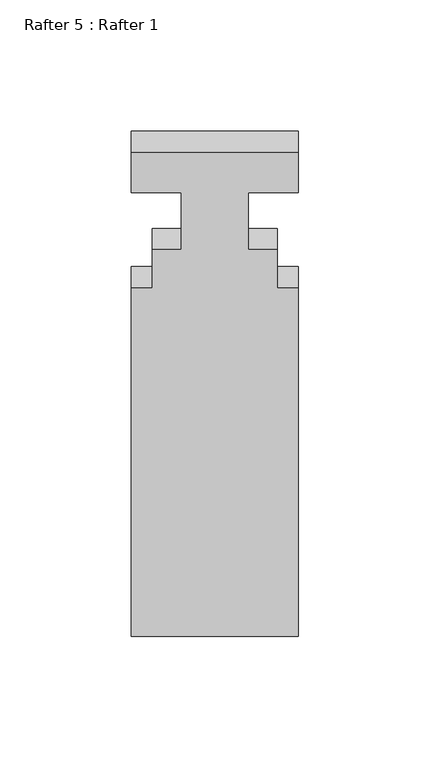
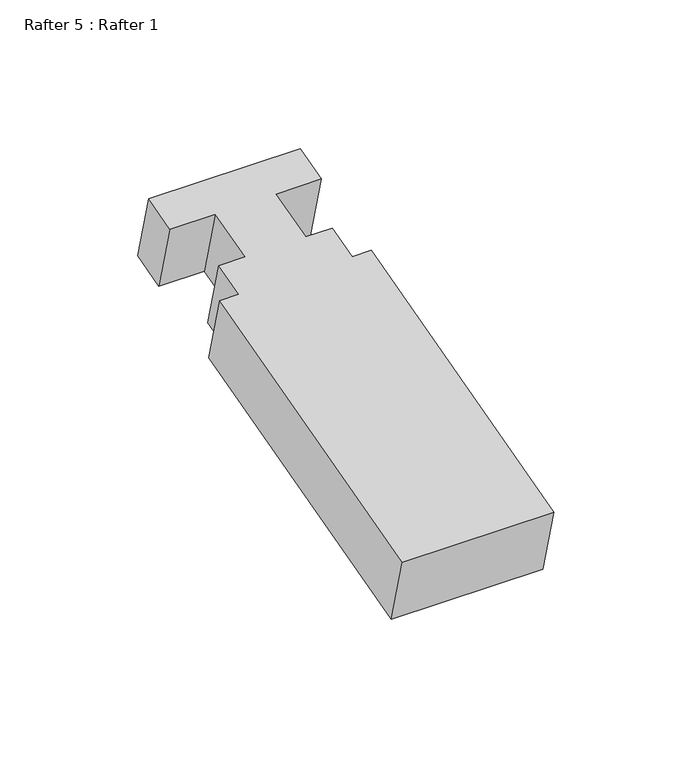
"""IFC4 building model written with IfcOpenShell, lengths in millimetres: proxy geometry, Rafter 5 : Rafter 1."""

from ifc_helpers import new_model, si_unit, frame, origin, place, context, project, spatial, polyline, outline, extrude, source, transform, mapped, element, save


def rafter_5_rafter_1_3f2a79f1(model_context):
    return source(origin(), model_context, "Body", "SweptSolid", [
        extrude(outline(polyline([(-137.3378, 0.0), (0.0, 0.0), (0.0, -7.9248), (15.0622, -7.9248), (15.0622, -19.05), (37.5412, -19.05), (37.5412, 0.0), (53.4162, 0.0), (53.4162, -63.5), (37.5412, -63.5), (37.5412, -44.45), (15.0622, -44.45), (15.0622, -55.5752), (0.0, -55.5752), (0.0, -63.5), (-137.3378, -63.5), (-137.3378, 0.0)])), frame((-4207.6084739, 3893.6748092, 956.7514277), z_axis=(0.0, -0.25881904510252485, 0.9659258262890672), x_axis=(0.0, 0.9659258262890672, 0.25881904510252485)), (0.0, 0.0, 1.0), 31.236513),
    ])


if __name__ == "__main__":
    model = new_model("IFC4")
    model_context = context("Model", 3, world=origin())
    ifc_project = project(units=[si_unit("LENGTHUNIT", "METRE", prefix="MILLI")], contexts=[model_context])
    site = spatial("IfcSite", under=ifc_project)
    building = spatial("IfcBuilding", under=site)
    placement = place(None, origin())
    rafter_5_rafter_1_shape = rafter_5_rafter_1_3f2a79f1(model_context)
    element("IfcBuildingElementProxy", 1, Name="Rafter 5 : Rafter 1", ObjectType="Rafter 5 : Rafter 1", at=placement, inside=building, context=model_context, shape_type="MappedRepresentation", body=[
        mapped(rafter_5_rafter_1_shape, transform((0.0, 0.0, 0.0), x_axis=(1.0, 0.0, 0.0), y_axis=(0.0, 1.0, 0.0), z_axis=(0.0, 0.0, 1.0))),
    ])
    save(model, "model.ifc")
